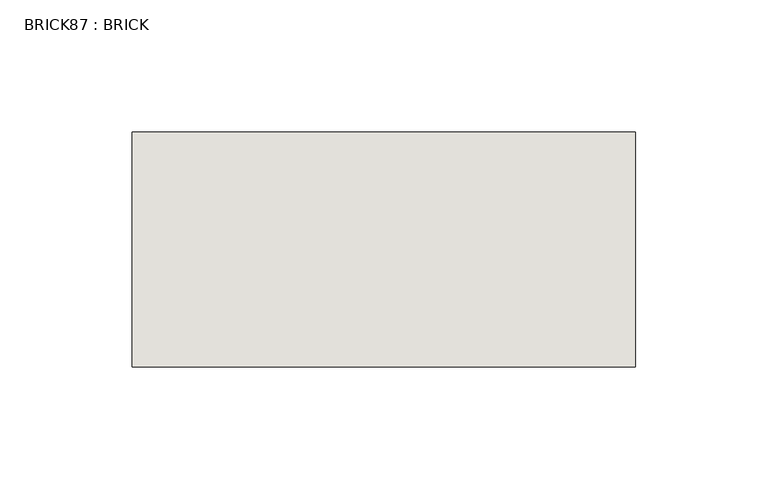
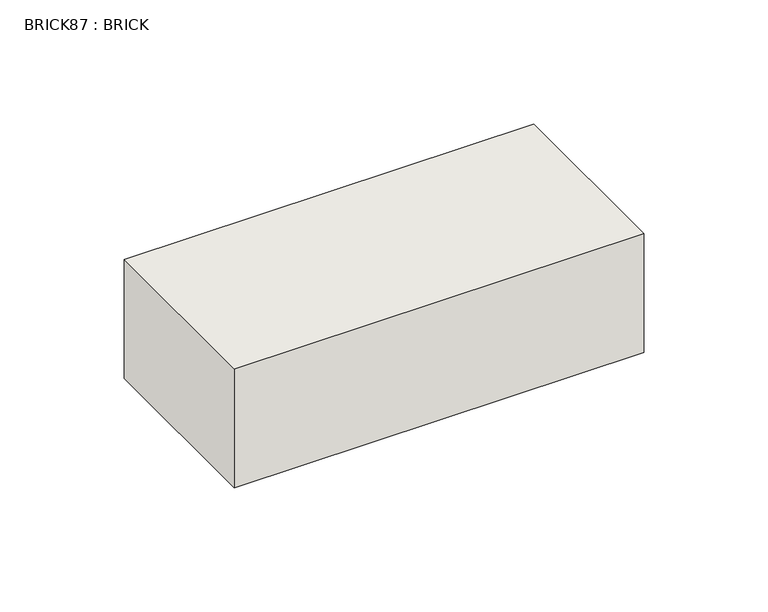
"""IFC4 building model written with IfcOpenShell, lengths in millimetres: wall geometry, BRICK87 : BRICK."""

from ifc_helpers import new_model, si_unit, frame, origin, place, context, project, spatial, polyline, outline, extrude, source, transform, mapped, element, save


def brick87_brick_2d522067(model_context):
    return source(origin(), model_context, "Body", "SweptSolid", [
        extrude(outline(polyline([(1341.7272594, 2586.2274125), (1532.2272594, 2586.2274125), (1532.2272594, 2497.3274125), (1341.7272594, 2497.3274125), (1341.7272594, 2586.2274125)])), frame((0.0, 0.0, 4.1671875), z_axis=(0.0, 0.0, 1.0), x_axis=(1.0, 0.0, 0.0)), (0.0, 0.0, 1.0), 58.4398437),
    ])


if __name__ == "__main__":
    model = new_model("IFC4")
    model_context = context("Model", 3, world=origin())
    ifc_project = project(units=[si_unit("LENGTHUNIT", "METRE", prefix="MILLI")], contexts=[model_context])
    site = spatial("IfcSite", under=ifc_project)
    building = spatial("IfcBuilding", under=site)
    placement = place(None, origin())
    brick87_brick_shape = brick87_brick_2d522067(model_context)
    element("IfcWall", 1, ObjectType="BRICK87 : BRICK", at=placement, inside=building, context=model_context, shape_type="MappedRepresentation", body=[
        mapped(brick87_brick_shape, transform((0.0, 0.0, 0.0), x_axis=(1.0, 0.0, 0.0), y_axis=(0.0, 1.0, 0.0), z_axis=(0.0, 0.0, 1.0))),
    ])
    save(model, "model.ifc")
